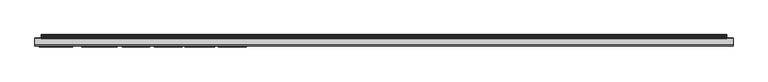
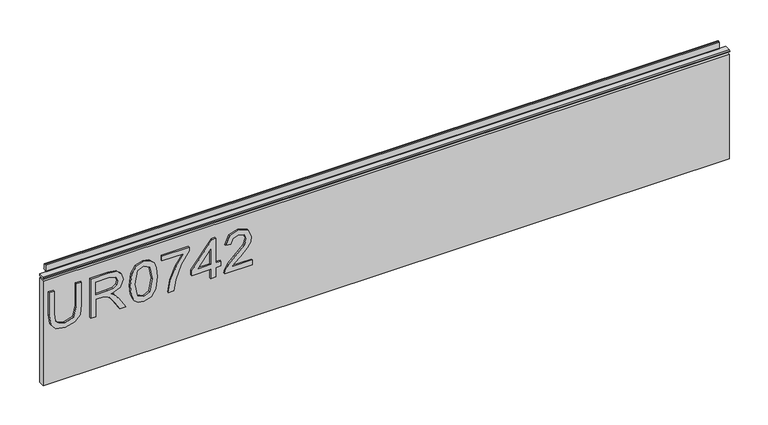
"""IFC4 building model written with IfcOpenShell, lengths in millimetres: furniture geometry."""

from ifc_helpers import new_model, si_unit, frame, origin, place, context, project, spatial, polyline, outline, extrude, source, transform, mapped, element, save


def furniture_766c39da(model_context):
    return source(origin(), model_context, "Body", "SweptSolid", [
        extrude(outline(polyline([(1015.1975569, -249.406548), (978.6772981, -249.406548), (962.5741222, -253.4401289), (958.3848047, -266.9425017), (960.5028239, -276.3178517), (966.5220478, -281.7219156), (978.6772981, -283.2948564), (1015.1975569, -283.2948564), (1015.1975569, -291.268576), (978.3969721, -291.268576), (962.4261723, -288.8468702), (953.4946719, -280.7641349), (950.411085, -266.1949655), (953.9540952, -251.3999779), (963.1425612, -243.5975687), (978.3969721, -241.4328284), (1015.1975569, -241.4328284), (1015.1975569, -249.406548)])), frame((0.0, -6.7767932, 0.0), z_axis=(0.0, 1.0, 0.0), x_axis=(0.0, 0.0, 1.0)), (0.0, 0.0, 1.0), 2.38125),
        extrude(outline(polyline([(951.4078, -227.4788191), (951.4078, -219.5050995), (979.3158187, -219.5050995), (979.3158187, -209.8805707), (979.0354926, -205.2551904), (977.5170596, -201.4630015), (973.38225, -197.2503234), (964.6298468, -191.25446), (951.4078, -182.9536933), (951.4078, -173.687359), (968.694575, -184.3241764), (976.9018996, -190.7872499), (980.3125336, -195.3191882), (986.2461023, -181.9647652), (997.7394716, -177.6430715), (1007.3873609, -180.2516614), (1013.4766663, -187.2286661), (1015.1975569, -199.9912895), (1015.1975569, -227.4788191), (951.4078, -227.4788191)]), holes=[polyline([(987.2895383, -219.5050995), (1007.2238373, -219.5050995), (1007.2238373, -199.6486688), (1004.4672975, -188.9884909), (997.4435719, -185.6167911), (992.0317211, -187.3844028), (988.4186294, -192.5548616), (987.2895383, -201.6576724), (987.2895383, -219.5050995)])]), frame((0.0, -6.7767932, 0.0), z_axis=(0.0, 1.0, 0.0), x_axis=(0.0, 0.0, 1.0)), (0.0, 0.0, 1.0), 2.38125),
        extrude(outline(polyline([(982.7887473, -166.679207), (967.2734775, -165.0906925), (956.4848168, -160.3251492), (951.929518, -154.033386), (950.411085, -145.748193), (953.9073742, -134.0757265), (964.5130443, -127.137656), (982.7887473, -124.817179), (997.7784058, -126.2655304), (1007.2160505, -130.0032115), (1013.1418324, -136.4351377), (1015.1975569, -145.748193), (1011.7246283, -157.3739385), (1001.1423188, -164.3353695), (982.7887473, -166.679207)]), holes=[polyline([(982.804321, -158.7054874), (1002.9566514, -154.8432169), (1007.2238373, -145.841635), (1002.3804256, -136.4039903), (982.804321, -132.7908986), (963.0179718, -136.5285797), (958.3848047, -145.748193), (963.0023982, -154.9678063), (982.804321, -158.7054874)])]), frame((0.0, -6.7767932, 0.0), z_axis=(0.0, 1.0, 0.0), x_axis=(0.0, 0.0, 1.0)), (0.0, 0.0, 1.0), 2.38125),
        extrude(outline(polyline([(1006.2271224, -117.8401743), (1006.2271224, -83.951866), (989.7268178, -96.0058874), (969.3953902, -104.7037827), (951.4078, -107.8730248), (951.4078, -99.8993052), (968.741296, -96.9403077), (990.5989434, -87.8530706), (1007.7533421, -75.9781463), (1014.200842, -75.9781463), (1014.200842, -117.8401743), (1006.2271224, -117.8401743)])), frame((0.0, -6.7767932, 0.0), z_axis=(0.0, 1.0, 0.0), x_axis=(0.0, 0.0, 1.0)), (0.0, 0.0, 1.0), 2.38125),
        extrude(outline(polyline([(951.4078, -43.0865529), (951.4078, -35.1128333), (966.3585243, -35.1128333), (966.3585243, -27.1391137), (974.3322439, -27.1391137), (974.3322439, -35.1128333), (1014.200842, -35.1128333), (1014.200842, -41.093123), (974.3322439, -71.9912865), (966.3585243, -71.9912865), (966.3585243, -43.0865529), (951.4078, -43.0865529)]), holes=[polyline([(974.3322439, -43.0865529), (974.3322439, -62.1798737), (998.9697916, -43.0865529), (974.3322439, -43.0865529)])]), frame((0.0, -6.7767932, 0.0), z_axis=(0.0, 1.0, 0.0), x_axis=(0.0, 0.0, 1.0)), (0.0, 0.0, 1.0), 2.38125),
        extrude(outline(polyline([(959.3815196, 20.703204), (959.3815196, -10.6154486), (963.4384609, -7.0179306), (971.108494, 2.1549617), (982.0334243, 13.5782495), (989.8514072, 18.289285), (997.4124245, 19.7064891), (1010.0893928, 14.4503751), (1015.1975569, 0.1771055), (1010.603324, -14.0494431), (997.2566878, -20.162109), (996.2599729, -12.1883894), (1004.3115608, -8.8322633), (1007.2238373, 0.0057951), (1004.2414793, 8.485659), (996.9296407, 11.7327695), (987.8969115, 8.2909881), (974.61257, -5.4761371), (965.3695962, -15.4588603), (956.9053059, -20.3022721), (951.4078, -21.158824), (951.4078, 20.703204), (959.3815196, 20.703204)])), frame((0.0, -6.7767932, 0.0), z_axis=(0.0, 1.0, 0.0), x_axis=(0.0, 0.0, 1.0)), (0.0, 0.0, 1.0), 2.38125),
        extrude(outline(polyline([(5.5562561, 1041.4), (6.3500061, 1041.4), (6.3500061, 1051.27425), (7.1437561, 1052.068), (8.6677569, 1052.068), (10.0084363, 1051.6506926), (10.875413, 1050.5461816), (10.9623604, 1049.1447591), (10.2390011, 1046.1863459), (10.4046103, 1044.9833307), (11.6746103, 1042.7836103), (10.7786383, 1042.2663244), (7.1437561, 1042.2663244), (7.1437561, 1041.4), (6.3500061, 1041.1669239), (6.3500061, 1033.9578), (5.5562561, 1033.9578), (5.5562561, 1041.4)])), frame((-288.671, 0.0, 0.0), z_axis=(1.0, 0.0, 0.0), x_axis=(0.0, 1.0, 0.0)), (0.0, 0.0, 1.0), 1034.542),
        extrude(outline(polyline([(5.5562561, 1041.4), (5.5562561, 1038.2249996), (-3.975094, 1038.2249996), (-5.3492339, 1039.0183657), (-5.3492339, 1040.6066395), (-3.9751037, 1041.4), (5.5562561, 1041.4)])), frame((-298.196, 0.0, 0.0), z_axis=(1.0, 0.0, 0.0), x_axis=(0.0, 1.0, 0.0)), (0.0, 0.0, 1.0), 1053.592),
        extrude(outline(polyline([(755.396, 6.3500061), (755.396, -3.1749939), (-298.196, -3.1749939), (-298.196, 6.3500061), (755.396, 6.3500061)])), frame((0.0, 0.0, 864.4381927), z_axis=(0.0, 0.0, 1.0), x_axis=(1.0, 0.0, 0.0)), (0.0, 0.0, 1.0), 169.5196073),
    ])


if __name__ == "__main__":
    model = new_model("IFC4")
    model_context = context("Model", 3, world=origin())
    ifc_project = project(units=[si_unit("LENGTHUNIT", "METRE", prefix="MILLI")], contexts=[model_context])
    site = spatial("IfcSite", under=ifc_project)
    building = spatial("IfcBuilding", under=site)
    placement = place(None, origin())
    furniture_shape = furniture_766c39da(model_context)
    element("IfcFurniture", 1, at=placement, inside=building, context=model_context, shape_type="MappedRepresentation", body=[
        mapped(furniture_shape, transform((0.0, 0.0, 0.0), x_axis=(1.0, 0.0, 0.0), y_axis=(0.0, 1.0, 0.0), z_axis=(0.0, 0.0, 1.0))),
    ])
    save(model, "model.ifc")
